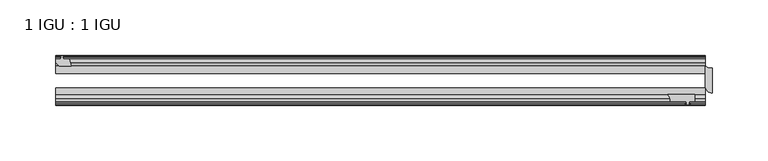
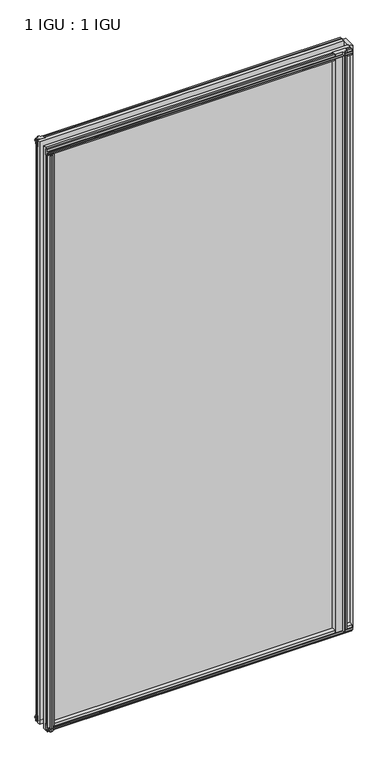
"""IFC4 building model written with IfcOpenShell, lengths in millimetres: plate geometry, 1 IGU : 1 IGU."""

from ifc_helpers import new_model, si_unit, point, frame, frame_2d, origin, place, context, project, spatial, polyline, circle_curve, trimmed, segment, composite_curve, outline, extrude, source, transform, mapped, element, save


def plate_1_igu_1_igu_608b764c(model_context):
    return source(origin(), model_context, "Body", "SweptSolid", [
        extrude(outline(polyline([(-279.9207, -9.7670937), (-277.7431709, -10.4746158), (-277.7431709, -11.27583), (-279.1587, -10.8158968), (-278.7777, -13.1960937), (-273.5707, -13.1960937), (-271.8529819, -19.5460937), (-282.6743578, -19.5460937), (-285.5087, -16.1424937), (-285.5087, -13.1960937), (-281.0637, -13.1960937), (-280.6827, -10.8158968), (-282.0982291, -11.27583), (-282.0982291, -10.4746158), (-279.9207, -9.7670937)])), frame((0.0, 0.0, -12.4587), z_axis=(0.0, 0.0, 1.0), x_axis=(1.0, 0.0, 0.0)), (0.0, 0.0, 1.0), 1180.6174),
        extrude(outline(composite_curve([segment(polyline([(304.8, -21.3394322), (304.8, -43.5644322)]), True, "CONTINUOUS"), segment(trimmed(circle_curve(frame_2d((304.8, -37.2144322)), 6.35), [point((304.8, -43.5644322))], [point((298.45, -37.2144322))], False, "CARTESIAN"), True, "CONTINUOUS"), segment(polyline([(298.45, -37.2144322), (298.45, -19.5460938)]), True, "CONTINUOUS"), segment(trimmed(circle_curve(frame_2d((304.8, -9.2004624)), 12.1389698), [point((298.45, -19.5460938))], [point((304.8, -21.3394322))], True, "CARTESIAN"), True, "CONTINUOUS")], self_intersect=False)), frame((0.0, 0.0, -12.4587), z_axis=(0.0, 0.0, 1.0), x_axis=(1.0, 0.0, 0.0)), (0.0, 0.0, 1.0), 1180.6174),
        extrude(outline(composite_curve([segment(polyline([(264.8367558, -44.9460938), (288.925, -44.9460938), (288.925, -51.2960938), (283.845, -51.2960938), (283.5275, -53.4006957), (284.7461059, -53.0741712), (284.9499, -53.8347412), (282.575, -54.4710938), (280.2001, -53.8347412), (280.4038941, -53.0741712), (281.6225, -53.4006957), (281.305, -51.2960938), (266.7, -51.2960938)]), True, "CONTINUOUS"), segment(trimmed(circle_curve(frame_2d((257.9243721, -50.4227155)), 8.8189814), [point((266.7, -51.2960938))], [point((264.8367558, -44.9460938))], True, "CARTESIAN"), True, "CONTINUOUS")], self_intersect=False)), frame((0.0, 0.0, -9.0482291), z_axis=(0.0, 0.0, 1.0), x_axis=(1.0, 0.0, 0.0)), (0.0, 0.0, 1.0), 1177.2069291),
        extrude(outline(polyline([(-271.3322819, -44.9460937), (-273.05, -51.2960937), (-278.257, -51.2960937), (-278.638, -53.6762907), (-277.2224709, -53.2163575), (-277.2224709, -54.0175717), (-279.4, -54.7250937), (-281.5775291, -54.0175717), (-281.5775291, -53.2163575), (-280.162, -53.6762907), (-280.543, -51.2960937), (-284.988, -51.2960937), (-284.988, -48.3496937), (-282.1536578, -44.9460937), (-271.3322819, -44.9460937)])), frame((0.0, 0.0, -12.4587), z_axis=(0.0, 0.0, 1.0), x_axis=(1.0, 0.0, 0.0)), (0.0, 0.0, 1.0), 1167.9174),
        extrude(outline(polyline([(-10.4746158, -4.6931709), (-9.7670937, -6.8707), (-10.4746158, -9.0482291), (-11.27583, -9.0482291), (-10.8158968, -7.6327), (-13.1960937, -8.0137), (-13.1960937, -12.4587), (-16.1424937, -12.4587), (-19.5460937, -9.6243578), (-19.5460937, 1.1970181), (-13.1960937, -0.5207), (-13.1960937, -5.7277), (-10.8158968, -6.1087), (-11.27583, -4.6931709), (-10.4746158, -4.6931709)])), frame((-285.75, 0.0, 0.0), z_axis=(1.0, 0.0, 0.0), x_axis=(0.0, 1.0, 0.0)), (0.0, 0.0, 1.0), 584.2),
        extrude(outline(polyline([(-44.9460937, 1.7177181), (-44.9460937, -9.1036578), (-48.3496937, -11.938), (-51.2960937, -11.938), (-51.2960937, -7.493), (-53.6762907, -7.112), (-53.2163575, -8.5275291), (-54.0175717, -8.5275291), (-54.7250937, -6.35), (-54.0175717, -4.1724709), (-53.2163575, -4.1724709), (-53.6762907, -5.588), (-51.2960937, -5.207), (-51.2960937, 0.0), (-44.9460937, 1.7177181)])), frame((-285.75, 0.0, 0.0), z_axis=(1.0, 0.0, 0.0), x_axis=(0.0, 1.0, 0.0)), (0.0, 0.0, 1.0), 584.2),
        extrude(outline(polyline([(-10.8158968, 1163.3327), (-11.27583, 1164.7482291), (-10.4746158, 1164.7482291), (-9.7670937, 1162.5707), (-10.4746158, 1160.3931709), (-11.27583, 1160.3931709), (-10.8158968, 1161.8087), (-13.1960937, 1161.4277), (-13.1960937, 1156.2207), (-19.5460938, 1154.5029819), (-19.5460938, 1165.3243578), (-16.1424937, 1168.1587), (-13.1960937, 1168.1587), (-13.1960937, 1163.7137), (-10.8158968, 1163.3327)])), frame((-285.75, 0.0, 0.0), z_axis=(1.0, 0.0, 0.0), x_axis=(0.0, 1.0, 0.0)), (0.0, 0.0, 1.0), 584.2),
        extrude(outline(polyline([(-51.2960937, 1167.638), (-48.3496937, 1167.638), (-44.9460938, 1164.8036578), (-44.9460938, 1153.9822819), (-51.2960937, 1155.7), (-51.2960937, 1160.907), (-53.6762907, 1161.288), (-53.2163575, 1159.8724709), (-54.0175717, 1159.8724709), (-54.7250937, 1162.05), (-54.0175717, 1164.2275291), (-53.2163575, 1164.2275291), (-53.6762907, 1162.812), (-51.2960937, 1163.193), (-51.2960937, 1167.638)])), frame((-285.75, 0.0, 0.0), z_axis=(1.0, 0.0, 0.0), x_axis=(0.0, 1.0, 0.0)), (0.0, 0.0, 1.0), 584.2),
        extrude(outline(polyline([(-285.75, -38.9186738), (298.45, -38.9186738), (298.45, -44.9460937), (-285.75, -44.9460937), (-285.75, -38.9186738)])), frame((0.0, 0.0, -12.7), z_axis=(0.0, 0.0, 1.0), x_axis=(1.0, 0.0, 0.0)), (0.0, 0.0, 1.0), 1181.1),
        extrude(outline(polyline([(-285.75, -19.5460937), (298.45, -19.5460937), (298.45, -25.8960938), (-285.75, -25.8960938), (-285.75, -19.5460937)])), frame((0.0, 0.0, -12.7), z_axis=(0.0, 0.0, 1.0), x_axis=(1.0, 0.0, 0.0)), (0.0, 0.0, 1.0), 1181.1),
    ])


if __name__ == "__main__":
    model = new_model("IFC4")
    model_context = context("Model", 3, world=origin())
    ifc_project = project(units=[si_unit("LENGTHUNIT", "METRE", prefix="MILLI")], contexts=[model_context])
    site = spatial("IfcSite", under=ifc_project)
    building = spatial("IfcBuilding", under=site)
    placement = place(None, origin())
    plate_1_igu_1_igu_shape = plate_1_igu_1_igu_608b764c(model_context)
    element("IfcPlate", 1, ObjectType="1 IGU : 1 IGU", at=placement, inside=building, context=model_context, shape_type="MappedRepresentation", body=[
        mapped(plate_1_igu_1_igu_shape, transform((0.0, 0.0, 0.0), x_axis=(1.0, 0.0, 0.0), y_axis=(0.0, 1.0, 0.0), z_axis=(0.0, 0.0, 1.0))),
    ])
    save(model, "model.ifc")
